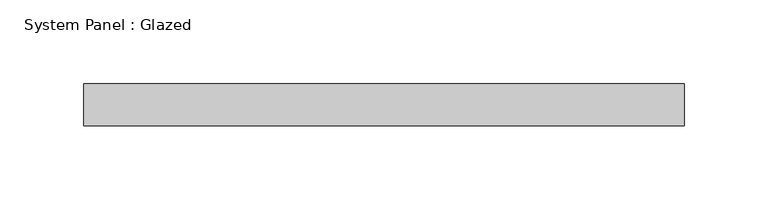
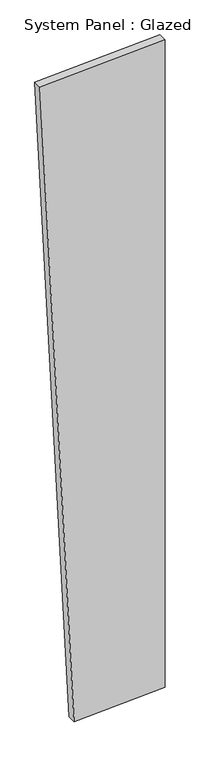
"""IFC4 building model written with IfcOpenShell, lengths in millimetres: plate geometry, System Panel : Glazed."""

from ifc_helpers import new_model, si_unit, frame, origin, place, context, project, spatial, polyline, outline, extrude, source, transform, mapped, element, save


def system_panel_glazed_05a6b8d7(model_context):
    return source(origin(), model_context, "Body", "SweptSolid", [
        extrude(outline(polyline([(0.0, -81.6599135), (13.0504469, 179.349025), (1971.717133, 179.349025), (1953.7822305, -179.349025), (0.0, -81.6599135)])), frame((0.0, -49.5, 0.0), z_axis=(0.0, 1.0, 0.0), x_axis=(0.0, 0.0, 1.0)), (0.0, 0.0, 1.0), 25.0),
    ])


if __name__ == "__main__":
    model = new_model("IFC4")
    model_context = context("Model", 3, world=origin())
    ifc_project = project(units=[si_unit("LENGTHUNIT", "METRE", prefix="MILLI")], contexts=[model_context])
    site = spatial("IfcSite", under=ifc_project)
    building = spatial("IfcBuilding", under=site)
    placement = place(None, origin())
    system_panel_glazed_shape = system_panel_glazed_05a6b8d7(model_context)
    element("IfcPlate", 1, ObjectType="System Panel : Glazed", at=placement, inside=building, context=model_context, shape_type="MappedRepresentation", body=[
        mapped(system_panel_glazed_shape, transform((0.0, 0.0, 0.0), x_axis=(1.0, 0.0, 0.0), y_axis=(0.0, 1.0, 0.0), z_axis=(0.0, 0.0, 1.0))),
    ])
    save(model, "model.ifc")
